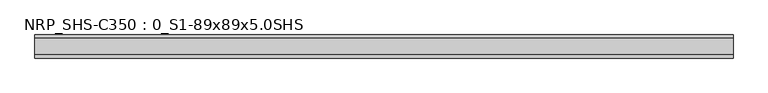
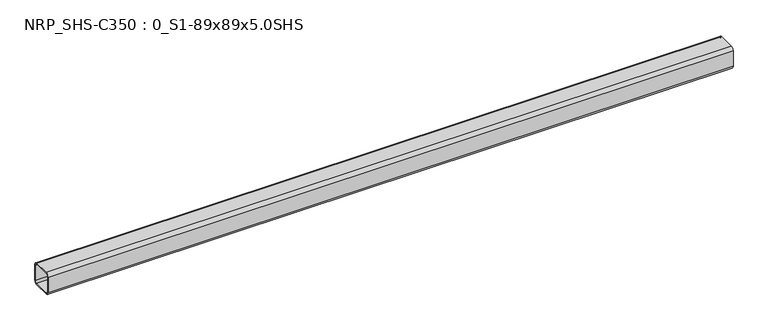
"""IFC4 building model written with IfcOpenShell, lengths in millimetres: beam geometry, NRP_SHS-C350 : 0_S1-89x89x5.0SHS."""

from ifc_helpers import new_model, si_unit, point, frame, frame_2d, origin, place, context, project, spatial, polyline, circle_curve, trimmed, segment, composite_curve, outline, extrude, source, transform, mapped, element, save


def nrp_shs_c350_0_s1_89x89x5_0shs_3e159b17(model_context):
    return source(origin(), model_context, "Body", "SweptSolid", [
        extrude(outline(composite_curve([segment(trimmed(circle_curve(frame_2d((-32.0, 32.0)), 12.5), [point((-44.5, 32.0))], [point((-32.0, 44.5))], False, "CARTESIAN"), True, "CONTINUOUS"), segment(polyline([(-32.0, 44.5), (32.0, 44.5)]), True, "CONTINUOUS"), segment(trimmed(circle_curve(frame_2d((32.0, 32.0)), 12.5), [point((32.0, 44.5))], [point((44.5, 32.0))], False, "CARTESIAN"), True, "CONTINUOUS"), segment(polyline([(44.5, 32.0), (44.5, -32.0)]), True, "CONTINUOUS"), segment(trimmed(circle_curve(frame_2d((32.0, -32.0)), 12.5), [point((44.5, -32.0))], [point((32.0, -44.5))], False, "CARTESIAN"), True, "CONTINUOUS"), segment(polyline([(32.0, -44.5), (-32.0, -44.5)]), True, "CONTINUOUS"), segment(trimmed(circle_curve(frame_2d((-32.0, -32.0)), 12.5), [point((-32.0, -44.5))], [point((-44.5, -32.0))], False, "CARTESIAN"), True, "CONTINUOUS"), segment(polyline([(-44.5, -32.0), (-44.5, 32.0)]), True, "CONTINUOUS")], self_intersect=False), holes=[composite_curve([segment(polyline([(32.0, 39.5), (-32.0, 39.5)]), True, "CONTINUOUS"), segment(trimmed(circle_curve(frame_2d((-32.0, 32.0)), 7.5), [point((-32.0, 39.5))], [point((-39.5, 32.0))], True, "CARTESIAN"), True, "CONTINUOUS"), segment(polyline([(-39.5, 32.0), (-39.5, -32.0)]), True, "CONTINUOUS"), segment(trimmed(circle_curve(frame_2d((-32.0, -32.0)), 7.5), [point((-39.5, -32.0))], [point((-32.0, -39.5))], True, "CARTESIAN"), True, "CONTINUOUS"), segment(polyline([(-32.0, -39.5), (32.0, -39.5)]), True, "CONTINUOUS"), segment(trimmed(circle_curve(frame_2d((32.0, -32.0)), 7.5), [point((32.0, -39.5))], [point((39.5, -32.0))], True, "CARTESIAN"), True, "CONTINUOUS"), segment(polyline([(39.5, -32.0), (39.5, 32.0)]), True, "CONTINUOUS"), segment(trimmed(circle_curve(frame_2d((32.0, 32.0)), 7.5), [point((39.5, 32.0))], [point((32.0, 39.5))], True, "CARTESIAN"), True, "CONTINUOUS")], self_intersect=False)]), frame((-1360.5, 0.0, 0.0), z_axis=(1.0, 0.0, 0.0), x_axis=(0.0, 1.0, 0.0)), (0.0, 0.0, 1.0), 2686.0),
    ])


if __name__ == "__main__":
    model = new_model("IFC4")
    model_context = context("Model", 3, world=origin())
    ifc_project = project(units=[si_unit("LENGTHUNIT", "METRE", prefix="MILLI")], contexts=[model_context])
    site = spatial("IfcSite", under=ifc_project)
    building = spatial("IfcBuilding", under=site)
    placement = place(None, origin())
    nrp_shs_c350_0_s1_89x89x5_0shs_shape = nrp_shs_c350_0_s1_89x89x5_0shs_3e159b17(model_context)
    element("IfcBeam", 1, ObjectType="NRP_SHS-C350 : 0_S1-89x89x5.0SHS", at=placement, inside=building, context=model_context, shape_type="MappedRepresentation", body=[
        mapped(nrp_shs_c350_0_s1_89x89x5_0shs_shape, transform((0.0, 0.0, 0.0), x_axis=(1.0, 0.0, 0.0), y_axis=(0.0, 1.0, 0.0), z_axis=(0.0, 0.0, 1.0))),
    ])
    save(model, "model.ifc")
